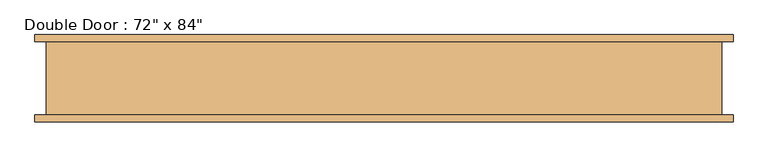
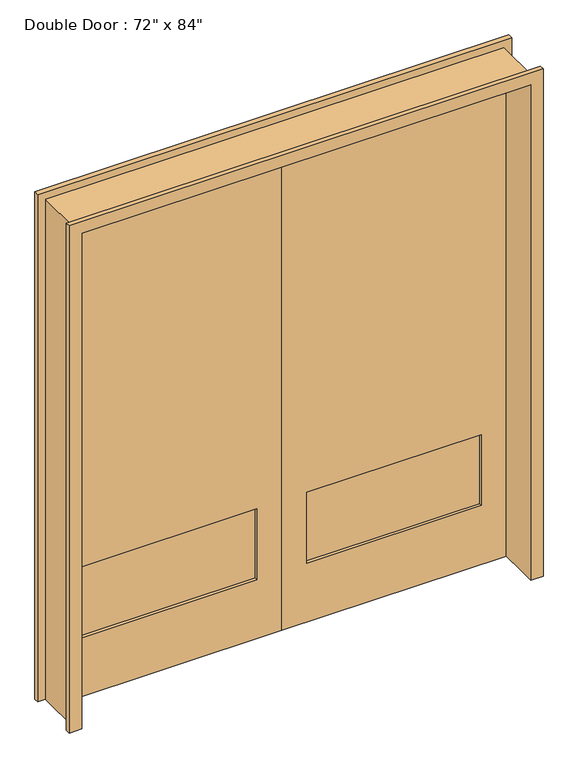
"""IFC4 building model written with IfcOpenShell, lengths in millimetres: door geometry."""

from ifc_helpers import new_model, si_unit, frame, origin, place, context, project, spatial, polyline, outline, extrude, faceted_brep, source, transform, mapped, element, save


def door_b21c6830(model_context):
    return source(origin(), model_context, "Body", "SolidModel", [
        extrude(outline(polyline([(812.8, 63.5), (101.6, 63.5), (101.6, 76.2), (812.8, 76.2), (812.8, 63.5)])), frame((0.0, 0.0, 254.0), z_axis=(0.0, 0.0, 1.0), x_axis=(1.0, 0.0, 0.0)), (0.0, 0.0, 1.0), 304.8),
        extrude(outline(polyline([(-101.6, 63.5), (-812.8, 63.5), (-812.8, 76.2), (-101.6, 76.2), (-101.6, 63.5)])), frame((0.0, 0.0, 254.0), z_axis=(0.0, 0.0, 1.0), x_axis=(1.0, 0.0, 0.0)), (0.0, 0.0, 1.0), 304.8),
        faceted_brep([(-965.2, -101.6, 0.0), (-933.45, -101.6, 0.0), (-933.45, 101.6, 0.0), (-965.2, 101.6, 0.0), (-965.2, 120.65, 0.0), (-914.4, 120.65, 0.0), (-914.4, -120.65, 0.0), (-965.2, -120.65, 0.0), (-965.2, -101.6, 2184.4), (965.2, -101.6, 2184.4), (965.2, -101.6, 0.0), (933.45, -101.6, 0.0), (933.45, -101.6, 2152.65), (-933.45, -101.6, 2152.65), (-933.45, 101.6, 2152.65), (933.45, 101.6, 2152.65), (933.45, 101.6, 0.0), (965.2, 101.6, 0.0), (965.2, 101.6, 2184.4), (-965.2, 101.6, 2184.4), (-965.2, 120.65, 2184.4), (965.2, 120.65, 2184.4), (965.2, 120.65, 0.0), (914.4, 120.65, 0.0), (914.4, 120.65, 2133.6), (-914.4, 120.65, 2133.6), (-914.4, -120.65, 2133.6), (914.4, -120.65, 2133.6), (914.4, -120.65, 0.0), (965.2, -120.65, 0.0), (965.2, -120.65, 2184.4), (-965.2, -120.65, 2184.4)], [[[0, 1, 2, 3, 4, 5, 6, 7]], [[1, 0, 8, 9, 10, 11, 12, 13]], [[2, 1, 13, 14]], [[3, 2, 14, 15, 16, 17, 18, 19]], [[4, 3, 19, 20]], [[5, 4, 20, 21, 22, 23, 24, 25]], [[6, 5, 25, 26]], [[7, 6, 26, 27, 28, 29, 30, 31]], [[0, 7, 31, 8]], [[13, 12, 15, 14]], [[19, 18, 21, 20]], [[25, 24, 27, 26]], [[9, 8, 31, 30]], [[11, 10, 29, 28, 23, 22, 17, 16]], [[12, 11, 16, 15]], [[18, 17, 22, 21]], [[24, 23, 28, 27]], [[10, 9, 30, 29]]]),
        extrude(outline(polyline([(2133.6, 0.0), (0.0, 0.0), (0.0, 914.4), (2133.6, 914.4), (2133.6, 0.0)]), holes=[polyline([(558.8, 812.8), (254.0, 812.8), (254.0, 101.6), (558.8, 101.6), (558.8, 812.8)])]), frame((0.0, 50.8, 0.0), z_axis=(0.0, 1.0, 0.0), x_axis=(0.0, 0.0, 1.0)), (0.0, 0.0, 1.0), 50.8),
        extrude(outline(polyline([(2133.6, 0.0), (2133.6, -914.4), (0.0, -914.4), (0.0, 0.0), (2133.6, 0.0)]), holes=[polyline([(558.8, -101.6), (254.0, -101.6), (254.0, -812.8), (558.8, -812.8), (558.8, -101.6)])]), frame((0.0, 50.8, 0.0), z_axis=(0.0, 1.0, 0.0), x_axis=(0.0, 0.0, 1.0)), (0.0, 0.0, 1.0), 50.8),
    ])


if __name__ == "__main__":
    model = new_model("IFC4")
    model_context = context("Model", 3, world=origin())
    ifc_project = project(units=[si_unit("LENGTHUNIT", "METRE", prefix="MILLI")], contexts=[model_context])
    site = spatial("IfcSite", under=ifc_project)
    building = spatial("IfcBuilding", under=site)
    placement = place(None, origin())
    door_shape = door_b21c6830(model_context)
    element("IfcDoor", 1, ObjectType="Double Door : 72\" x 84\"", at=placement, inside=building, context=model_context, shape_type="MappedRepresentation", body=[
        mapped(door_shape, transform((0.0, 0.0, 0.0), x_axis=(1.0, 0.0, 0.0), y_axis=(0.0, 1.0, 0.0), z_axis=(0.0, 0.0, 1.0))),
    ])
    save(model, "model.ifc")
